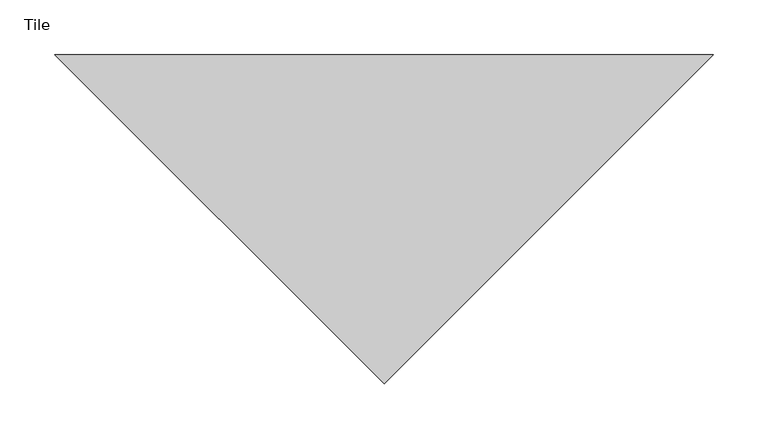
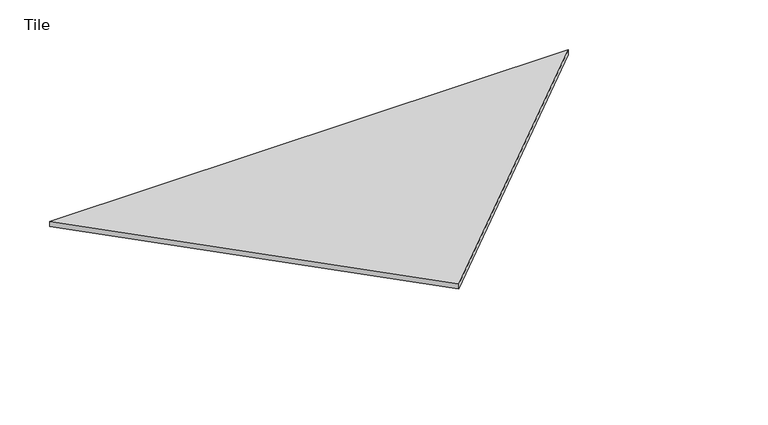
"""IFC4 building model written with IfcOpenShell, lengths in millimetres: proxy geometry, Tile."""

from ifc_helpers import new_model, si_unit, origin, origin_with_axes, place, context, project, spatial, polyline, outline, extrude, source, transform, mapped, element, save


def tile_ed20f17e(model_context):
    return source(origin(), model_context, "Body", "SweptSolid", [
        extrude(outline(polyline([(0.0, 0.0), (-300.0, 300.0), (300.0, 300.0), (0.0, 0.0)])), origin_with_axes(), (0.0, 0.0, 1.0), 6.0),
    ])


if __name__ == "__main__":
    model = new_model("IFC4")
    model_context = context("Model", 3, world=origin())
    ifc_project = project(units=[si_unit("LENGTHUNIT", "METRE", prefix="MILLI")], contexts=[model_context])
    site = spatial("IfcSite", under=ifc_project)
    building = spatial("IfcBuilding", under=site)
    placement = place(None, origin())
    tile_shape = tile_ed20f17e(model_context)
    element("IfcBuildingElementProxy", 1, Name="Tile", ObjectType="Tile", at=placement, inside=building, context=model_context, shape_type="MappedRepresentation", body=[
        mapped(tile_shape, transform((0.0, 0.0, 0.0), x_axis=(1.0, 0.0, 0.0), y_axis=(0.0, 1.0, 0.0), z_axis=(0.0, 0.0, 1.0))),
    ])
    save(model, "model.ifc")
